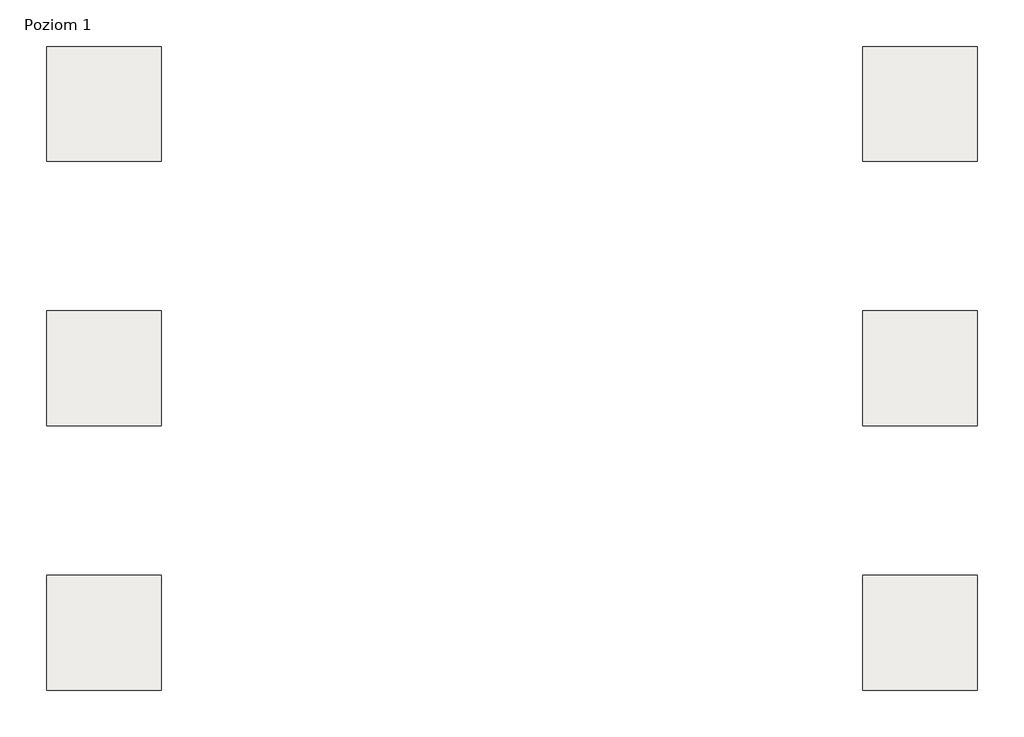
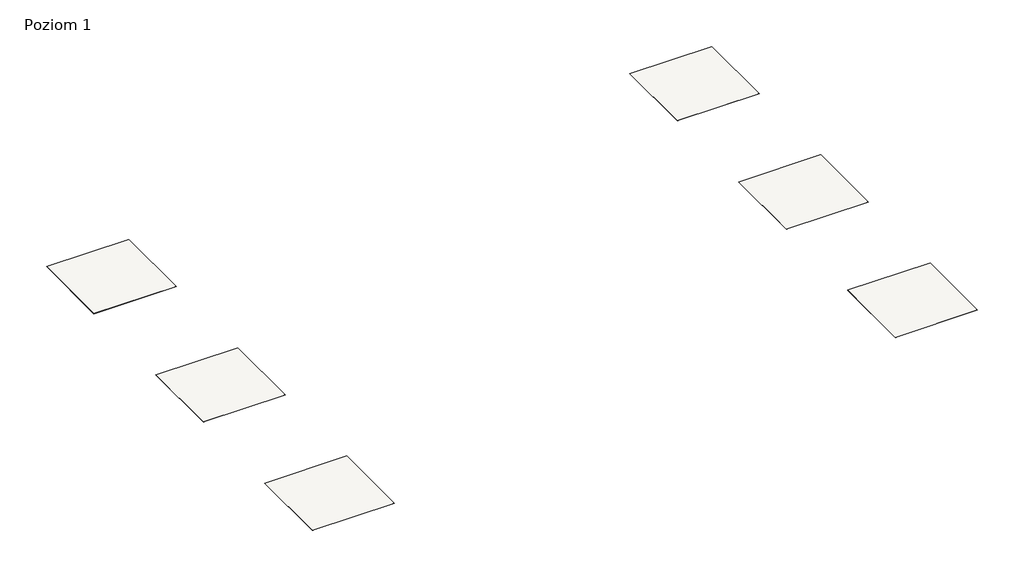
# One storey: 6 slabs.
"""IFC4 building model written with IfcOpenShell, lengths in millimetres."""

import ifcopenshell
import ifcopenshell.guid

model = None  # the IFC model being written
_history = None  # IfcOwnerHistory: only IFC2X3 demands one
_inside = {}  # id of a spatial element -> (the spatial element, [elements in it])
_under = {}  # id of a project, library or spatial element -> (it, [spatial elements below it])
_declared = {}  # id of a project -> (the project, [libraries it declares])
_typed = {}  # id of a type object -> (the type object, [elements of that type])
_made_of = {}  # id of a material, layer set ... -> (it, [elements and type objects made of it])


def new_model(schema):
    """Start an empty IFC model of exactly this schema.

    Asked for "IFC4X3", IfcOpenShell would pick the latest addendum, in which some entities
    have other attributes; the version numbers below select the first issue.
    IFC2X3 requires an IfcOwnerHistory on every rooted entity: one is made here for all.
    """
    global model, _history
    if schema == "IFC4X3":
        model = ifcopenshell.file(schema_version=(4, 3, 0, 0))
    else:
        model = ifcopenshell.file(schema=schema)
    _inside.clear()
    _under.clear()
    _declared.clear()
    _typed.clear()
    _made_of.clear()
    _history = None
    if model.schema == "IFC2X3":
        org = make("IfcOrganization", Name="unknown")
        user = make(
            "IfcPersonAndOrganization",
            ThePerson=make("IfcPerson", FamilyName="unknown"),
            TheOrganization=org,
        )
        app = make(
            "IfcApplication",
            ApplicationDeveloper=org,
            Version="unknown",
            ApplicationFullName="unknown",
            ApplicationIdentifier="unknown",
        )
        _history = make(
            "IfcOwnerHistory",
            OwningUser=user,
            OwningApplication=app,
            ChangeAction="ADDED",
            CreationDate=0,
        )
    return model


def make(cls, **values):
    """One entity of the class cls with the attributes given. An attribute that is None is left unset."""
    return model.create_entity(
        cls, **{name: value for name, value in values.items() if value is not None}
    )


def rooted(cls, **values):
    """An entity with a GlobalId (a new one), such as an element, a storey or a relation."""
    return make(cls, GlobalId=ifcopenshell.guid.new(), OwnerHistory=_history, **values)


def si_unit(unit_type, name, prefix=None):
    """IfcSIUnit, for example si_unit("LENGTHUNIT", "METRE", prefix="MILLI")."""
    return make("IfcSIUnit", UnitType=unit_type, Prefix=prefix, Name=name)


def assignment(units):
    """IfcUnitAssignment: the units of a project."""
    return None if units is None else make("IfcUnitAssignment", Units=units)


def point(xyz):
    """IfcCartesianPoint."""
    return None if xyz is None else make("IfcCartesianPoint", Coordinates=xyz)


def direction(xyz):
    """IfcDirection."""
    return None if xyz is None else make("IfcDirection", DirectionRatios=xyz)


def frame(location, z_axis=None, x_axis=None):
    """IfcAxis2Placement3D, a coordinate frame: its origin and axes. An axis left out is left unset."""
    return make(
        "IfcAxis2Placement3D",
        Location=point(location),
        Axis=direction(z_axis),
        RefDirection=direction(x_axis),
    )


def origin():
    """The frame at (0, 0, 0) with its axes left unset."""
    return frame((0.0, 0.0, 0.0))


def place(relative_to, where):
    """IfcLocalPlacement: puts the frame where relative to a parent placement (None: the world)."""
    return make(
        "IfcLocalPlacement", PlacementRelTo=relative_to, RelativePlacement=where
    )


def context(
    kind, dimensions, precision=None, world=None, true_north=None, identifier=None
):
    """IfcGeometricRepresentationContext, for example the 3D "Model" context."""
    return make(
        "IfcGeometricRepresentationContext",
        ContextIdentifier=identifier,
        ContextType=kind,
        CoordinateSpaceDimension=dimensions,
        Precision=precision,
        WorldCoordinateSystem=world,
        TrueNorth=true_north,
    )


def project(units=None, contexts=None):
    """IfcProject with its units and contexts."""
    return rooted(
        "IfcProject",
        Name="project",
        RepresentationContexts=contexts,
        UnitsInContext=assignment(units),
    )


def spatial(cls, under=None, at=None, **own):
    """A site, building, storey or space (cls), placed at a placement, below another one or the project."""
    s = rooted(cls, ObjectPlacement=at, **own)
    if under is not None:
        _under.setdefault(under.id(), (under, []))[1].append(s)
    return s


def polyline(points):
    """IfcPolyline through the points."""
    return make("IfcPolyline", Points=[point(p) for p in points])


def outline(outer, holes=None, kind="AREA"):
    """IfcArbitraryClosedProfileDef: a profile drawn as a closed curve; with holes, ...WithVoids."""
    if holes is None:
        return make("IfcArbitraryClosedProfileDef", ProfileType=kind, OuterCurve=outer)
    return make(
        "IfcArbitraryProfileDefWithVoids",
        ProfileType=kind,
        OuterCurve=outer,
        InnerCurves=holes,
    )


def extrude(swept, where, along, depth):
    """IfcExtrudedAreaSolid: the profile swept, set in the frame where, extruded along a direction by depth."""
    return make(
        "IfcExtrudedAreaSolid",
        SweptArea=swept,
        Position=where,
        ExtrudedDirection=direction(along),
        Depth=depth,
    )


def shape(context_of_items, identifier, shape_type, items):
    """IfcShapeRepresentation: the items that make up one representation, for example the "Body"."""
    return make(
        "IfcShapeRepresentation",
        ContextOfItems=context_of_items,
        RepresentationIdentifier=identifier,
        RepresentationType=shape_type,
        Items=items,
    )


def made_of(thing, what):
    """Note that an element or type object is made of a material, layer set ...; save() writes the relation."""
    if what is not None:
        _made_of.setdefault(what.id(), (what, []))[1].append(thing)
    return thing


def element(
    cls,
    number,
    at=None,
    inside=None,
    cuts=None,
    type_object=None,
    material=None,
    context=None,
    identifier="Body",
    shape_type=None,
    held_by="IfcProductDefinitionShape",
    body=None,
    shapes=None,
    **own,
):
    """One element of the class cls, such as IfcWall. Its Tag is "e" and its number.

    at: its placement. inside: the storey or other place that contains it. cuts: it is an
    opening in that element (IfcRelVoidsElement). A single representation is given by context,
    identifier, shape_type and body (its items); several are given by shapes. held_by: the class
    of the entity that holds the representations. save() writes the other relations.
    """
    e = rooted(cls, Tag="e%d" % number, ObjectPlacement=at, **own)
    if body is not None:
        shapes = [shape(context, identifier, shape_type, body)]
    if shapes is not None:
        e.Representation = make(held_by, Representations=shapes)
    if inside is not None:
        _inside.setdefault(inside.id(), (inside, []))[1].append(e)
    if cuts is not None:
        rooted(
            "IfcRelVoidsElement", RelatingBuildingElement=cuts, RelatedOpeningElement=e
        )
    if type_object is not None:
        _typed.setdefault(type_object.id(), (type_object, []))[1].append(e)
    return made_of(e, material)


def aggregate(whole, parts):
    """IfcRelAggregates: a whole, such as a stair, and the parts it consists of."""
    return rooted("IfcRelAggregates", RelatingObject=whole, RelatedObjects=parts)


def save(model, path):
    """Write the relations noted so far, then the file.

    IfcRelAggregates (storeys below a building ...), IfcRelContainedInSpatialStructure (elements
    in a storey), IfcRelDefinesByType, IfcRelAssociatesMaterial and IfcRelDeclares: one each for
    every whole, place, type object, material and project.
    """
    for whole, parts in _under.values():
        aggregate(whole, parts)
    for where, things in _inside.values():
        rooted(
            "IfcRelContainedInSpatialStructure",
            RelatedElements=things,
            RelatingStructure=where,
        )
    for kind, things in _typed.values():
        rooted("IfcRelDefinesByType", RelatedObjects=things, RelatingType=kind)
    for what, things in _made_of.values():
        rooted("IfcRelAssociatesMaterial", RelatedObjects=things, RelatingMaterial=what)
    for by, libraries in _declared.values():
        rooted("IfcRelDeclares", RelatingContext=by, RelatedDefinitions=libraries)
    model.write(path)


model = new_model("IFC4")

# Units and contexts
model_context = context("Model", 3, world=origin())
ifc_project = project(units=[si_unit("LENGTHUNIT", "METRE", prefix="MILLI")], contexts=[model_context])

# Site, building, storey
site = spatial("IfcSite", under=ifc_project)
building = spatial("IfcBuilding", under=site)
storey = spatial("IfcBuildingStorey", under=building, Name="Poziom 1", Elevation=0.0)

# Slabs
placement = place(None, origin())
element("IfcSlab", 1, at=placement, inside=storey, context=model_context, shape_type="SweptSolid", body=[
    extrude(outline(polyline([(3036.5009197, 24640.1445193), (3036.5009197, 23640.1445193), (2036.5009197, 23640.1445193), (2036.5009197, 24640.1445193), (3036.5009197, 24640.1445193)])), frame((0.0, 0.0, -0.8), z_axis=(0.0, 0.0, 1.0), x_axis=(1.0, 0.0, 0.0)), (0.0, 0.0, 1.0), 0.8),
])
element("IfcSlab", 2, at=placement, inside=storey, context=model_context, shape_type="SweptSolid", body=[
    extrude(outline(polyline([(3036.5009197, 22340.1445193), (3036.5009197, 21340.1445193), (2036.5009197, 21340.1445193), (2036.5009197, 22340.1445193), (3036.5009197, 22340.1445193)])), frame((0.0, 0.0, -0.8), z_axis=(0.0, 0.0, 1.0), x_axis=(1.0, 0.0, 0.0)), (0.0, 0.0, 1.0), 0.8),
])
element("IfcSlab", 3, at=placement, inside=storey, context=model_context, shape_type="SweptSolid", body=[
    extrude(outline(polyline([(3036.5009197, 20040.1445193), (3036.5009197, 19040.1445193), (2036.5009197, 19040.1445193), (2036.5009197, 20040.1445193), (3036.5009197, 20040.1445193)])), frame((0.0, 0.0, -0.8), z_axis=(0.0, 0.0, 1.0), x_axis=(1.0, 0.0, 0.0)), (0.0, 0.0, 1.0), 0.8),
])
element("IfcSlab", 4, at=placement, inside=storey, context=model_context, shape_type="SweptSolid", body=[
    extrude(outline(polyline([(10136.5009197, 24640.1445193), (10136.5009197, 23640.1445193), (9136.5009197, 23640.1445193), (9136.5009197, 24640.1445193), (10136.5009197, 24640.1445193)])), frame((0.0, 0.0, -0.8), z_axis=(0.0, 0.0, 1.0), x_axis=(1.0, 0.0, 0.0)), (0.0, 0.0, 1.0), 0.8),
])
element("IfcSlab", 5, at=placement, inside=storey, context=model_context, shape_type="SweptSolid", body=[
    extrude(outline(polyline([(10136.5009197, 22340.1445193), (10136.5009197, 21340.1445193), (9136.5009197, 21340.1445193), (9136.5009197, 22340.1445193), (10136.5009197, 22340.1445193)])), frame((0.0, 0.0, -0.8), z_axis=(0.0, 0.0, 1.0), x_axis=(1.0, 0.0, 0.0)), (0.0, 0.0, 1.0), 0.8),
])
element("IfcSlab", 6, at=placement, inside=storey, context=model_context, shape_type="SweptSolid", body=[
    extrude(outline(polyline([(10136.5009197, 20040.1445193), (10136.5009197, 19040.1445193), (9136.5009197, 19040.1445193), (9136.5009197, 20040.1445193), (10136.5009197, 20040.1445193)])), frame((0.0, 0.0, -0.8), z_axis=(0.0, 0.0, 1.0), x_axis=(1.0, 0.0, 0.0)), (0.0, 0.0, 1.0), 0.8),
])

save(model, "model.ifc")
